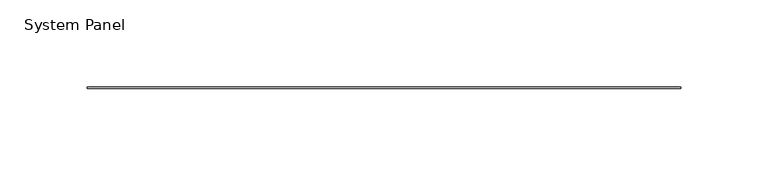
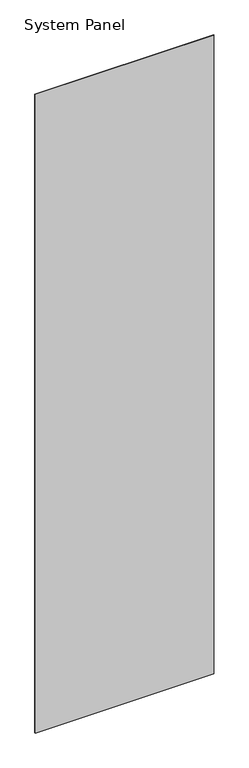
"""IFC4 building model written with IfcOpenShell, lengths in millimetres: plate geometry, System Panel."""

import ifcopenshell
import ifcopenshell.guid

model = None  # the IFC model being written
_history = None  # IfcOwnerHistory: only IFC2X3 demands one
_inside = {}  # id of a spatial element -> (the spatial element, [elements in it])
_under = {}  # id of a project, library or spatial element -> (it, [spatial elements below it])
_declared = {}  # id of a project -> (the project, [libraries it declares])
_typed = {}  # id of a type object -> (the type object, [elements of that type])
_made_of = {}  # id of a material, layer set ... -> (it, [elements and type objects made of it])


def new_model(schema):
    """Start an empty IFC model of exactly this schema.

    Asked for "IFC4X3", IfcOpenShell would pick the latest addendum, in which some entities
    have other attributes; the version numbers below select the first issue.
    IFC2X3 requires an IfcOwnerHistory on every rooted entity: one is made here for all.
    """
    global model, _history
    if schema == "IFC4X3":
        model = ifcopenshell.file(schema_version=(4, 3, 0, 0))
    else:
        model = ifcopenshell.file(schema=schema)
    _inside.clear()
    _under.clear()
    _declared.clear()
    _typed.clear()
    _made_of.clear()
    _history = None
    if model.schema == "IFC2X3":
        org = make("IfcOrganization", Name="unknown")
        user = make(
            "IfcPersonAndOrganization",
            ThePerson=make("IfcPerson", FamilyName="unknown"),
            TheOrganization=org,
        )
        app = make(
            "IfcApplication",
            ApplicationDeveloper=org,
            Version="unknown",
            ApplicationFullName="unknown",
            ApplicationIdentifier="unknown",
        )
        _history = make(
            "IfcOwnerHistory",
            OwningUser=user,
            OwningApplication=app,
            ChangeAction="ADDED",
            CreationDate=0,
        )
    return model


def make(cls, **values):
    """One entity of the class cls with the attributes given. An attribute that is None is left unset."""
    return model.create_entity(
        cls, **{name: value for name, value in values.items() if value is not None}
    )


def rooted(cls, **values):
    """An entity with a GlobalId (a new one), such as an element, a storey or a relation."""
    return make(cls, GlobalId=ifcopenshell.guid.new(), OwnerHistory=_history, **values)


def si_unit(unit_type, name, prefix=None):
    """IfcSIUnit, for example si_unit("LENGTHUNIT", "METRE", prefix="MILLI")."""
    return make("IfcSIUnit", UnitType=unit_type, Prefix=prefix, Name=name)


def assignment(units):
    """IfcUnitAssignment: the units of a project."""
    return None if units is None else make("IfcUnitAssignment", Units=units)


def point(xyz):
    """IfcCartesianPoint."""
    return None if xyz is None else make("IfcCartesianPoint", Coordinates=xyz)


def direction(xyz):
    """IfcDirection."""
    return None if xyz is None else make("IfcDirection", DirectionRatios=xyz)


def frame(location, z_axis=None, x_axis=None):
    """IfcAxis2Placement3D, a coordinate frame: its origin and axes. An axis left out is left unset."""
    return make(
        "IfcAxis2Placement3D",
        Location=point(location),
        Axis=direction(z_axis),
        RefDirection=direction(x_axis),
    )


def origin():
    """The frame at (0, 0, 0) with its axes left unset."""
    return frame((0.0, 0.0, 0.0))


def origin_with_axes():
    """The frame at (0, 0, 0) with the z axis (0, 0, 1) and the x axis (1, 0, 0) written out."""
    return frame((0.0, 0.0, 0.0), z_axis=(0.0, 0.0, 1.0), x_axis=(1.0, 0.0, 0.0))


def place(relative_to, where):
    """IfcLocalPlacement: puts the frame where relative to a parent placement (None: the world)."""
    return make(
        "IfcLocalPlacement", PlacementRelTo=relative_to, RelativePlacement=where
    )


def context(
    kind, dimensions, precision=None, world=None, true_north=None, identifier=None
):
    """IfcGeometricRepresentationContext, for example the 3D "Model" context."""
    return make(
        "IfcGeometricRepresentationContext",
        ContextIdentifier=identifier,
        ContextType=kind,
        CoordinateSpaceDimension=dimensions,
        Precision=precision,
        WorldCoordinateSystem=world,
        TrueNorth=true_north,
    )


def project(units=None, contexts=None):
    """IfcProject with its units and contexts."""
    return rooted(
        "IfcProject",
        Name="project",
        RepresentationContexts=contexts,
        UnitsInContext=assignment(units),
    )


def spatial(cls, under=None, at=None, **own):
    """A site, building, storey or space (cls), placed at a placement, below another one or the project."""
    s = rooted(cls, ObjectPlacement=at, **own)
    if under is not None:
        _under.setdefault(under.id(), (under, []))[1].append(s)
    return s


def polyline(points):
    """IfcPolyline through the points."""
    return make("IfcPolyline", Points=[point(p) for p in points])


def outline(outer, holes=None, kind="AREA"):
    """IfcArbitraryClosedProfileDef: a profile drawn as a closed curve; with holes, ...WithVoids."""
    if holes is None:
        return make("IfcArbitraryClosedProfileDef", ProfileType=kind, OuterCurve=outer)
    return make(
        "IfcArbitraryProfileDefWithVoids",
        ProfileType=kind,
        OuterCurve=outer,
        InnerCurves=holes,
    )


def extrude(swept, where, along, depth):
    """IfcExtrudedAreaSolid: the profile swept, set in the frame where, extruded along a direction by depth."""
    return make(
        "IfcExtrudedAreaSolid",
        SweptArea=swept,
        Position=where,
        ExtrudedDirection=direction(along),
        Depth=depth,
    )


def shape(context_of_items, identifier, shape_type, items):
    """IfcShapeRepresentation: the items that make up one representation, for example the "Body"."""
    return make(
        "IfcShapeRepresentation",
        ContextOfItems=context_of_items,
        RepresentationIdentifier=identifier,
        RepresentationType=shape_type,
        Items=items,
    )


def source(mapping_origin, context_of_items, identifier, shape_type, items):
    """IfcRepresentationMap: a shape defined once, which mapped items show again and again."""
    return make(
        "IfcRepresentationMap",
        MappingOrigin=mapping_origin,
        MappedRepresentation=shape(context_of_items, identifier, shape_type, items),
    )


def transform(
    local_origin,
    x_axis=None,
    y_axis=None,
    z_axis=None,
    scale=None,
    scale2=None,
    scale3=None,
    uniform=True,
):
    """IfcCartesianTransformationOperator3D, or its non-uniform kind. x_axis, y_axis, z_axis: its Axis1, 2, 3."""
    if uniform:
        return make(
            "IfcCartesianTransformationOperator3D",
            Axis1=direction(x_axis),
            Axis2=direction(y_axis),
            LocalOrigin=point(local_origin),
            Scale=scale,
            Axis3=direction(z_axis),
        )
    return make(
        "IfcCartesianTransformationOperator3DnonUniform",
        Axis1=direction(x_axis),
        Axis2=direction(y_axis),
        LocalOrigin=point(local_origin),
        Scale=scale,
        Axis3=direction(z_axis),
        Scale2=scale2,
        Scale3=scale3,
    )


def mapped(mapping_source, mapping_target):
    """IfcMappedItem: shows the shape of a source again, moved by a transform."""
    return make(
        "IfcMappedItem", MappingSource=mapping_source, MappingTarget=mapping_target
    )


def made_of(thing, what):
    """Note that an element or type object is made of a material, layer set ...; save() writes the relation."""
    if what is not None:
        _made_of.setdefault(what.id(), (what, []))[1].append(thing)
    return thing


def element(
    cls,
    number,
    at=None,
    inside=None,
    cuts=None,
    type_object=None,
    material=None,
    context=None,
    identifier="Body",
    shape_type=None,
    held_by="IfcProductDefinitionShape",
    body=None,
    shapes=None,
    **own,
):
    """One element of the class cls, such as IfcWall. Its Tag is "e" and its number.

    at: its placement. inside: the storey or other place that contains it. cuts: it is an
    opening in that element (IfcRelVoidsElement). A single representation is given by context,
    identifier, shape_type and body (its items); several are given by shapes. held_by: the class
    of the entity that holds the representations. save() writes the other relations.
    """
    e = rooted(cls, Tag="e%d" % number, ObjectPlacement=at, **own)
    if body is not None:
        shapes = [shape(context, identifier, shape_type, body)]
    if shapes is not None:
        e.Representation = make(held_by, Representations=shapes)
    if inside is not None:
        _inside.setdefault(inside.id(), (inside, []))[1].append(e)
    if cuts is not None:
        rooted(
            "IfcRelVoidsElement", RelatingBuildingElement=cuts, RelatedOpeningElement=e
        )
    if type_object is not None:
        _typed.setdefault(type_object.id(), (type_object, []))[1].append(e)
    return made_of(e, material)


def aggregate(whole, parts):
    """IfcRelAggregates: a whole, such as a stair, and the parts it consists of."""
    return rooted("IfcRelAggregates", RelatingObject=whole, RelatedObjects=parts)


def save(model, path):
    """Write the relations noted so far, then the file.

    IfcRelAggregates (storeys below a building ...), IfcRelContainedInSpatialStructure (elements
    in a storey), IfcRelDefinesByType, IfcRelAssociatesMaterial and IfcRelDeclares: one each for
    every whole, place, type object, material and project.
    """
    for whole, parts in _under.values():
        aggregate(whole, parts)
    for where, things in _inside.values():
        rooted(
            "IfcRelContainedInSpatialStructure",
            RelatedElements=things,
            RelatingStructure=where,
        )
    for kind, things in _typed.values():
        rooted("IfcRelDefinesByType", RelatedObjects=things, RelatingType=kind)
    for what, things in _made_of.values():
        rooted("IfcRelAssociatesMaterial", RelatedObjects=things, RelatingMaterial=what)
    for by, libraries in _declared.values():
        rooted("IfcRelDeclares", RelatingContext=by, RelatedDefinitions=libraries)
    model.write(path)


def system_panel_fccaa99b(model_context):
    return source(origin(), model_context, "Body", "SweptSolid", [
        extrude(outline(polyline([(170.18, -0.396875), (-170.18, -0.396875), (-170.18, 0.396875), (170.18, 0.396875), (170.18, -0.396875)])), origin_with_axes(), (0.0, 0.0, 1.0), 1285.875),
    ])


if __name__ == "__main__":
    model = new_model("IFC4")
    model_context = context("Model", 3, world=origin())
    ifc_project = project(units=[si_unit("LENGTHUNIT", "METRE", prefix="MILLI")], contexts=[model_context])
    site = spatial("IfcSite", under=ifc_project)
    building = spatial("IfcBuilding", under=site)
    placement = place(None, origin())
    system_panel_shape = system_panel_fccaa99b(model_context)
    element("IfcPlate", 1, ObjectType="System Panel", at=placement, inside=building, context=model_context, shape_type="MappedRepresentation", body=[
        mapped(system_panel_shape, transform((0.0, 0.0, 0.0), x_axis=(1.0, 0.0, 0.0), y_axis=(0.0, 1.0, 0.0), z_axis=(0.0, 0.0, 1.0))),
    ])
    save(model, "model.ifc")
